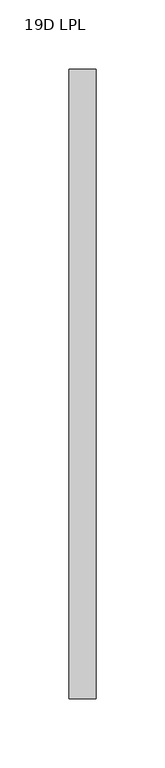
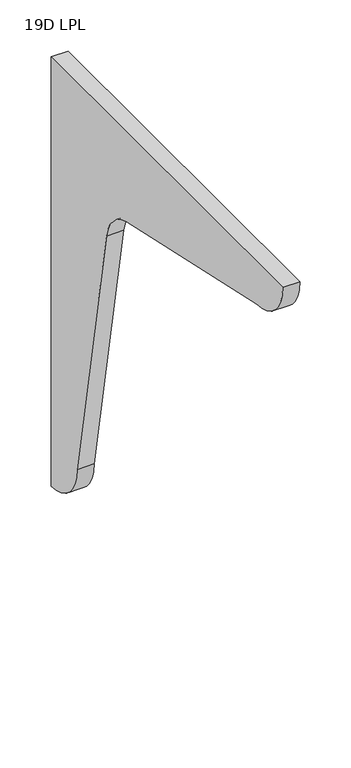
"""IFC4 building model written with IfcOpenShell, lengths in millimetres: furniture geometry, 19D LPL."""

from ifc_helpers import new_model, si_unit, point, frame, frame_2d, origin, place, context, project, spatial, polyline, circle_curve, trimmed, segment, composite_curve, outline, extrude, source, transform, mapped, element, save


def furniture_19d_lpl_ef8a6c3e(model_context):
    return source(origin(), model_context, "Body", "SweptSolid", [
        extrude(outline(composite_curve([segment(trimmed(circle_curve(frame_2d((-21.75256, 427.2225891)), 50.8), [point((-21.75256, 376.4225891))], [point((-72.55256, 427.2225891))], False, "CARTESIAN"), True, "CONTINUOUS"), segment(polyline([(-72.55256, 427.2225891), (-130.5157106, 741.0651603)]), True, "CONTINUOUS"), segment(trimmed(circle_curve(frame_2d((-180.4708721, 731.8390106)), 50.8), [point((-130.5157106, 741.0651603))], [point((-169.4450564, 781.4280355))], True, "CARTESIAN"), True, "CONTINUOUS"), segment(polyline([(-169.4450564, 781.4280355), (-424.7791225, 838.2)]), True, "CONTINUOUS"), segment(trimmed(circle_curve(frame_2d((-424.7791225, 889.0)), 50.8), [point((-424.7791225, 838.2))], [point((-475.5791225, 889.0))], False, "CARTESIAN"), True, "CONTINUOUS"), segment(polyline([(-475.5791225, 889.0), (-21.75256, 889.0), (-21.75256, 376.4225891)]), True, "CONTINUOUS")], self_intersect=False)), frame((9.0857049, 0.0, 0.0), z_axis=(1.0, 0.0, 0.0), x_axis=(0.0, 1.0, 0.0)), (0.0, 0.0, 1.0), 19.304),
    ])


if __name__ == "__main__":
    model = new_model("IFC4")
    model_context = context("Model", 3, world=origin())
    ifc_project = project(units=[si_unit("LENGTHUNIT", "METRE", prefix="MILLI")], contexts=[model_context])
    site = spatial("IfcSite", under=ifc_project)
    building = spatial("IfcBuilding", under=site)
    placement = place(None, origin())
    furniture_19d_lpl_shape = furniture_19d_lpl_ef8a6c3e(model_context)
    element("IfcFurniture", 1, ObjectType="19D LPL", at=placement, inside=building, context=model_context, shape_type="MappedRepresentation", body=[
        mapped(furniture_19d_lpl_shape, transform((0.0, 0.0, 0.0), x_axis=(1.0, 0.0, 0.0), y_axis=(0.0, 1.0, 0.0), z_axis=(0.0, 0.0, 1.0))),
    ])
    save(model, "model.ifc")
